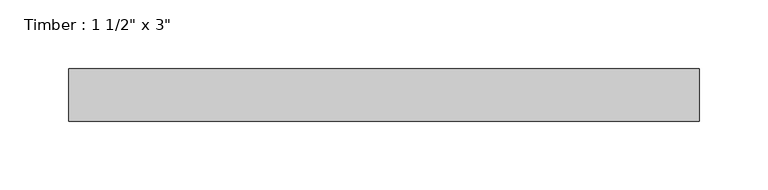
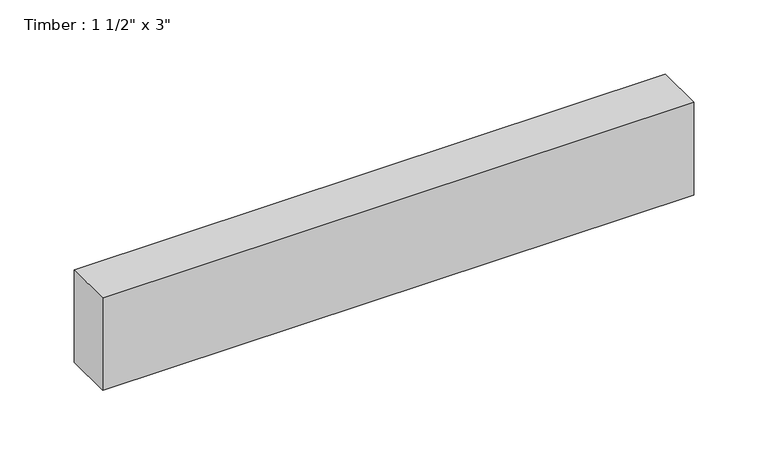
"""IFC4 building model written with IfcOpenShell, lengths in millimetres: beam geometry."""

from ifc_helpers import new_model, si_unit, frame, origin, place, context, project, spatial, polyline, outline, extrude, source, transform, mapped, element, save


def beam_e714a4e4(model_context):
    return source(origin(), model_context, "Body", "SweptSolid", [
        extrude(outline(polyline([(229.5757007, 19.05), (229.5757007, -19.05), (-229.5757007, -19.05), (-229.5757007, 19.05), (229.5757007, 19.05)])), frame((0.0, 0.0, -38.1), z_axis=(0.0, 0.0, 1.0), x_axis=(1.0, 0.0, 0.0)), (0.0, 0.0, 1.0), 76.2),
    ])


if __name__ == "__main__":
    model = new_model("IFC4")
    model_context = context("Model", 3, world=origin())
    ifc_project = project(units=[si_unit("LENGTHUNIT", "METRE", prefix="MILLI")], contexts=[model_context])
    site = spatial("IfcSite", under=ifc_project)
    building = spatial("IfcBuilding", under=site)
    placement = place(None, origin())
    beam_shape = beam_e714a4e4(model_context)
    element("IfcBeam", 1, ObjectType="Timber : 1 1/2\" x 3\"", at=placement, inside=building, context=model_context, shape_type="MappedRepresentation", body=[
        mapped(beam_shape, transform((0.0, 0.0, 0.0), x_axis=(1.0, 0.0, 0.0), y_axis=(0.0, 1.0, 0.0), z_axis=(0.0, 0.0, 1.0))),
    ])
    save(model, "model.ifc")
